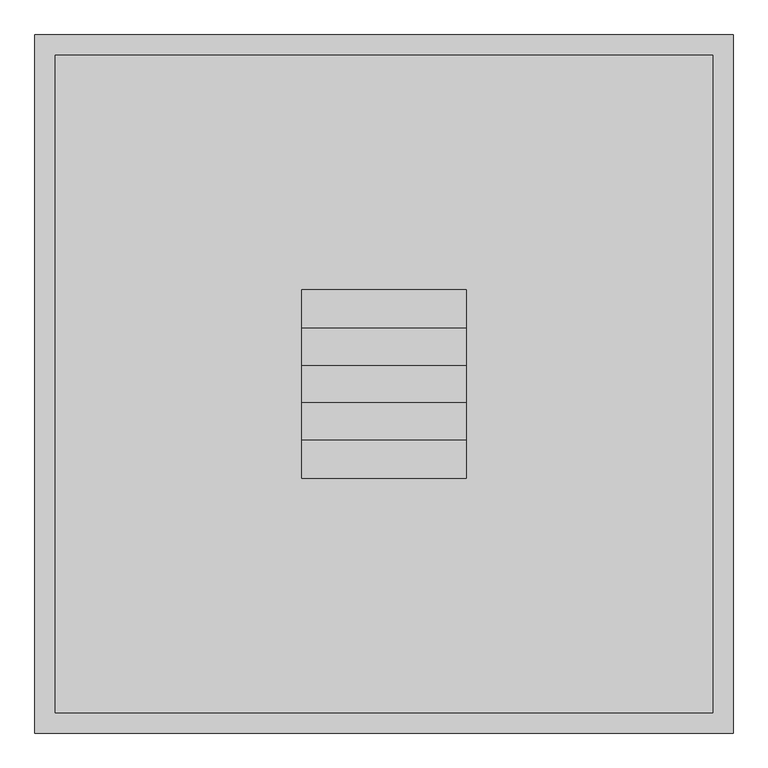
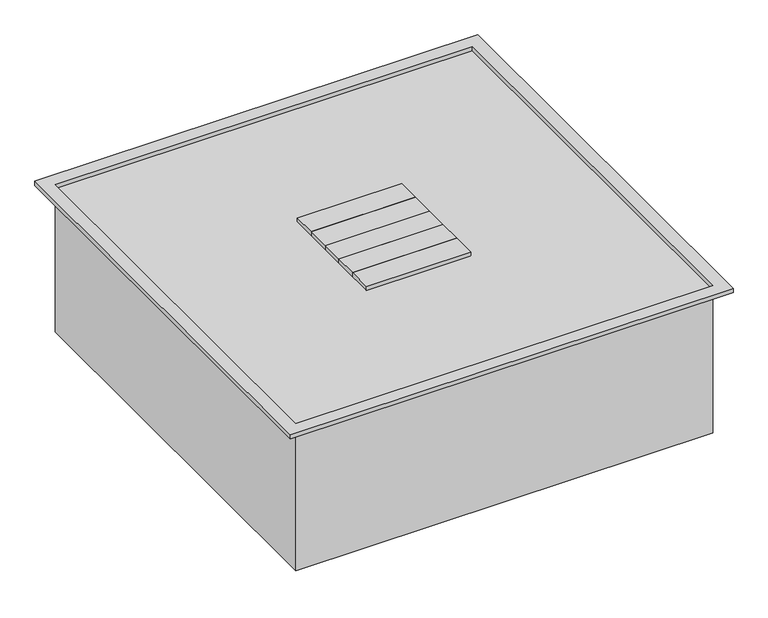
"""IFC4 building model written with IfcOpenShell, lengths in millimetres: proxy geometry."""

from ifc_helpers import new_model, si_unit, frame, origin, origin_with_axes, place, context, project, spatial, polyline, outline, extrude, source, transform, mapped, element, save


def generic_models_13065363(model_context):
    return source(origin(), model_context, "Body", "SweptSolid", [
        extrude(outline(polyline([(-152.4, -174.625), (-152.4, -104.775), (152.4, -104.775), (152.4, -174.625), (-152.4, -174.625)])), frame((0.0, 0.0, 444.5), z_axis=(0.0, 0.0, 1.0), x_axis=(1.0, 0.0, 0.0)), (0.0, 0.0, 1.0), 12.7),
        extrude(outline(polyline([(-152.4, 104.775), (-152.4, 174.625), (152.4, 174.625), (152.4, 104.775), (-152.4, 104.775)])), frame((0.0, 0.0, 444.5), z_axis=(0.0, 0.0, 1.0), x_axis=(1.0, 0.0, 0.0)), (0.0, 0.0, 1.0), 12.7),
        extrude(outline(polyline([(-152.4, -34.925), (152.4, -34.925), (152.4, -104.775), (-152.4, -104.775), (-152.4, -34.925)])), frame((0.0, 0.0, 444.5), z_axis=(0.0, 0.0, 1.0), x_axis=(1.0, 0.0, 0.0)), (0.0, 0.0, 1.0), 12.7),
        extrude(outline(polyline([(-152.4, 34.925), (-152.4, 104.775), (152.4, 104.775), (152.4, 34.925), (-152.4, 34.925)])), frame((0.0, 0.0, 444.5), z_axis=(0.0, 0.0, 1.0), x_axis=(1.0, 0.0, 0.0)), (0.0, 0.0, 1.0), 12.7),
        extrude(outline(polyline([(-152.4, 34.925), (152.4, 34.925), (152.4, -34.925), (-152.4, -34.925), (-152.4, 34.925)])), frame((0.0, 0.0, 444.5), z_axis=(0.0, 0.0, 1.0), x_axis=(1.0, 0.0, 0.0)), (0.0, 0.0, 1.0), 12.7),
        extrude(outline(polyline([(647.7, 647.7), (647.7, -647.7), (-647.7, -647.7), (-647.7, 647.7), (647.7, 647.7)]), holes=[polyline([(609.6, 609.6), (-609.6, 609.6), (-609.6, -609.6), (609.6, -609.6), (609.6, 609.6)])]), frame((0.0, 0.0, 444.5), z_axis=(0.0, 0.0, 1.0), x_axis=(1.0, 0.0, 0.0)), (0.0, 0.0, 1.0), 12.7),
        extrude(outline(polyline([(609.6, 609.6), (609.6, -609.6), (-609.6, -609.6), (-609.6, 609.6), (609.6, 609.6)])), origin_with_axes(), (0.0, 0.0, 1.0), 444.5),
    ])


if __name__ == "__main__":
    model = new_model("IFC4")
    model_context = context("Model", 3, world=origin())
    ifc_project = project(units=[si_unit("LENGTHUNIT", "METRE", prefix="MILLI")], contexts=[model_context])
    site = spatial("IfcSite", under=ifc_project)
    building = spatial("IfcBuilding", under=site)
    placement = place(None, origin())
    generic_models_shape = generic_models_13065363(model_context)
    element("IfcBuildingElementProxy", 1, Name="Generic Models", at=placement, inside=building, context=model_context, shape_type="MappedRepresentation", body=[
        mapped(generic_models_shape, transform((0.0, 0.0, 0.0), x_axis=(1.0, 0.0, 0.0), y_axis=(0.0, 1.0, 0.0), z_axis=(0.0, 0.0, 1.0))),
    ])
    save(model, "model.ifc")
